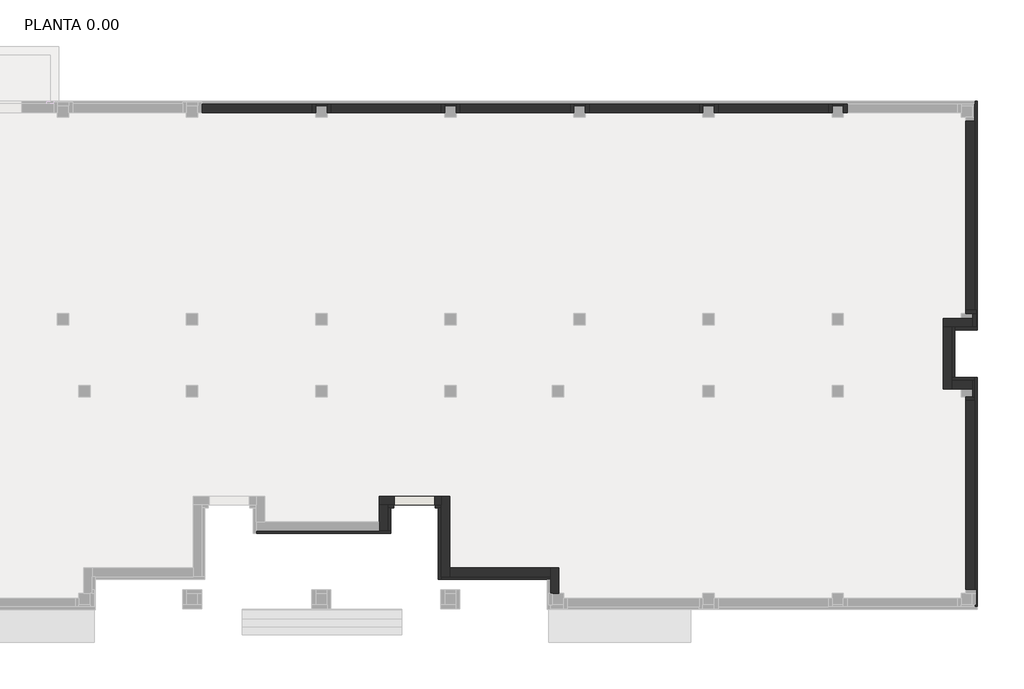
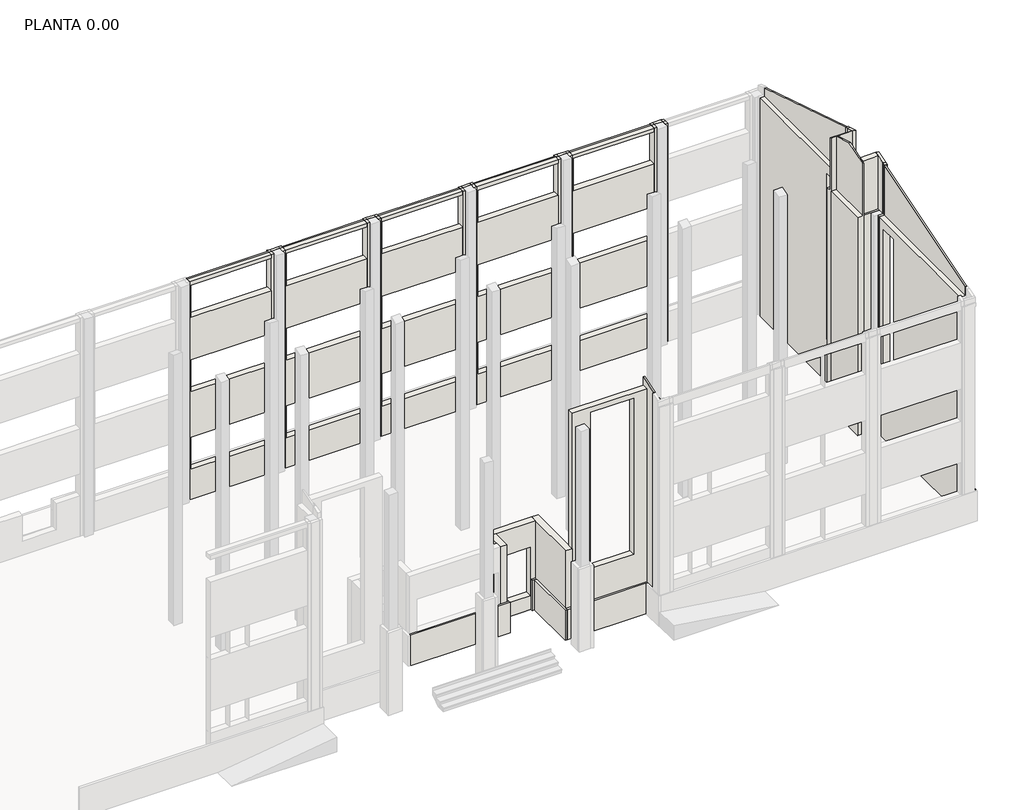
# One storey, part 4 of 6: 45 walls.
"""IFC4 building model written with IfcOpenShell, lengths in millimetres."""

from ifc_helpers import new_model, si_unit, origin, origin_with_axes, place, context, project, spatial, polyline, outline, extrude, faceted_brep, element, save

model = new_model("IFC4")

# Units and contexts
model_context = context("Model", 3, world=origin())
ifc_project = project(units=[si_unit("LENGTHUNIT", "METRE", prefix="MILLI")], contexts=[model_context])

# Site, building, storey
site = spatial("IfcSite", under=ifc_project)
building = spatial("IfcBuilding", under=site)
storey = spatial("IfcBuildingStorey", under=building, Name="PLANTA 0.00", Elevation=0.0)

# Walls
placement = place(None, origin())
element("IfcWall", 1, at=placement, inside=storey, context=model_context, shape_type="Brep", body=[
    faceted_brep([(-2270.0, 1780.0, 0.0), (2420.0, 1780.0, 0.0), (2420.0, 1780.0, 1500.0), (-2270.0, 1780.0, 1500.0), (-2270.0, 1880.0, 0.0), (-2270.0, 1880.0, 1500.0), (2320.0, 1880.0, 1500.0), (2420.0, 1880.0, 1500.0), (2420.0, 1880.0, 0.0), (2320.0, 1880.0, 0.0)], [[[0, 1, 2, 3]], [[4, 5, 6, 7, 8, 9]], [[1, 0, 4, 9, 8]], [[3, 2, 7, 6, 5]], [[0, 3, 5, 4]], [[2, 1, 8, 7]]]),
])
element("IfcWall", 2, at=placement, inside=storey, context=model_context, shape_type="SweptSolid", body=[
    extrude(outline(polyline([(2420.0, 2680.0), (2420.0, 1880.0), (2320.0, 1880.0), (2320.0, 2680.0), (2420.0, 2680.0)])), origin_with_axes(), (0.0, 0.0, 1.0), 1500.0),
])
element("IfcWall", 3, at=placement, inside=storey, context=model_context, shape_type="Brep", body=[
    faceted_brep([(2320.0, 2680.0, 0.0), (2420.0, 2680.0, 0.0), (2530.3842358, 2680.0, 0.0), (2530.3842358, 2680.0, 1500.0), (2420.0, 2680.0, 1500.0), (2320.0, 2680.0, 1500.0), (2320.0, 2780.0, 0.0), (2320.0, 2780.0, 1500.0), (2530.3842358, 2780.0, 1500.0), (2530.3842358, 2780.0, 0.0)], [[[0, 1, 2, 3, 4, 5]], [[6, 7, 8, 9]], [[2, 1, 0, 6, 9]], [[3, 2, 9, 8]], [[5, 4, 3, 8, 7]], [[0, 5, 7, 6]]]),
])
element("IfcWall", 4, at=placement, inside=storey, context=model_context, shape_type="Brep", body=[
    faceted_brep([(3973.842154, 2680.0, 0.0), (4080.0, 2680.0, 0.0), (4180.0, 2680.0, 0.0), (4180.0, 2680.0, 1500.0), (4080.0, 2680.0, 1500.0), (3973.842154, 2680.0, 1500.0), (3973.842154, 2780.0, 0.0), (3973.842154, 2780.0, 1500.0), (4180.0, 2780.0, 1500.0), (4180.0, 2780.0, 0.0)], [[[0, 1, 2, 3, 4, 5]], [[6, 7, 8, 9]], [[2, 1, 0, 6, 9]], [[5, 4, 3, 8, 7]], [[0, 5, 7, 6]], [[3, 2, 9, 8]]]),
])
element("IfcWall", 5, at=placement, inside=storey, context=model_context, shape_type="Brep", body=[
    faceted_brep([(4080.0, 2680.0, 0.0), (4080.0, 180.0, 0.0), (4080.0, 180.0, 1500.0), (4080.0, 2680.0, 1500.0), (4180.0, 2680.0, 0.0), (4180.0, 2680.0, 1500.0), (4180.0, 280.0, 1500.0), (4180.0, 180.0, 1500.0), (4180.0, 180.0, 0.0), (4180.0, 280.0, 0.0)], [[[0, 1, 2, 3]], [[4, 5, 6, 7, 8, 9]], [[1, 0, 4, 9, 8]], [[3, 2, 7, 6, 5]], [[0, 3, 5, 4]], [[2, 1, 8, 7]]]),
])
element("IfcWall", 6, at=placement, inside=storey, context=model_context, shape_type="Brep", body=[
    faceted_brep([(4180.0, 180.0, 0.0), (7880.0, 180.0, 0.0), (7980.0, 180.0, 0.0), (7980.0, 180.0, 1500.0), (7880.0, 180.0, 1500.0), (4180.0, 180.0, 1500.0), (4180.0, 280.0, 0.0), (4180.0, 280.0, 1500.0), (7980.0, 280.0, 1500.0), (7980.0, 280.0, 0.0)], [[[0, 1, 2, 3, 4, 5]], [[6, 7, 8, 9]], [[2, 1, 0, 6, 9]], [[5, 4, 3, 8, 7]], [[0, 5, 7, 6]], [[3, 2, 9, 8]]]),
])
element("IfcWall", 7, at=placement, inside=storey, context=model_context, shape_type="Brep", body=[
    faceted_brep([(22870.0, -770.0, 0.0), (22870.0, 7220.0360393, 0.0), (22870.0, 7220.0360393, 1500.0), (22870.0, -770.0, 1500.0), (22770.0, -770.0, 0.0), (22770.0, -770.0, 1500.0), (22770.0, 7120.0360393, 1500.0), (22770.0, 7220.0360393, 1500.0), (22770.0, 7220.0360393, 0.0), (22770.0, 7120.0360393, 0.0), (22770.0, -707.1086819, 0.0)], [[[0, 1, 2, 3]], [[4, 5, 6, 7, 8, 9, 10]], [[1, 0, 4, 10, 9, 8]], [[3, 2, 7, 6, 5]], [[2, 1, 8, 7]], [[0, 3, 5, 4]]]),
])
element("IfcWall", 8, at=placement, inside=storey, context=model_context, shape_type="Brep", body=[
    faceted_brep([(22770.0, 7220.0360393, 0.0), (22070.0, 7220.0360393, 0.0), (21970.0, 7220.0360393, 0.0), (21970.0, 7220.0360393, 1500.0), (22070.0, 7220.0360393, 1500.0), (22770.0, 7220.0360393, 1500.0), (22770.0, 7120.0360393, 0.0), (22770.0, 7120.0360393, 1500.0), (21970.0, 7120.0360393, 1500.0), (21970.0, 7120.0360393, 0.0)], [[[0, 1, 2, 3, 4, 5]], [[6, 7, 8, 9]], [[2, 1, 0, 6, 9]], [[5, 4, 3, 8, 7]], [[0, 5, 7, 6]], [[3, 2, 9, 8]]]),
])
element("IfcWall", 9, at=placement, inside=storey, context=model_context, shape_type="Brep", body=[
    faceted_brep([(22070.0, 7220.0360393, 0.0), (22070.0, 8880.0360393, 0.0), (22070.0, 8980.0360393, 0.0), (22070.0, 8980.0360393, 1500.0), (22070.0, 8880.0360393, 1500.0), (22070.0, 7220.0360393, 1500.0), (21970.0, 7220.0360393, 0.0), (21970.0, 7220.0360393, 1500.0), (21970.0, 8980.0360393, 1500.0), (21970.0, 8980.0360393, 0.0)], [[[0, 1, 2, 3, 4, 5]], [[6, 7, 8, 9]], [[2, 1, 0, 6, 9]], [[5, 4, 3, 8, 7]], [[0, 5, 7, 6]], [[3, 2, 9, 8]]]),
])
element("IfcWall", 10, at=placement, inside=storey, context=model_context, shape_type="Brep", body=[
    faceted_brep([(22070.0, 8880.0360393, 0.0), (22870.0, 8880.0360393, 0.0), (22870.0, 8880.0360393, 1500.0), (22070.0, 8880.0360393, 1500.0), (22070.0, 8980.0360393, 0.0), (22070.0, 8980.0360393, 1500.0), (22770.0, 8980.0360393, 1500.0), (22870.0, 8980.0360393, 1500.0), (22870.0, 8980.0360393, 0.0), (22770.0, 8980.0360393, 0.0)], [[[0, 1, 2, 3]], [[4, 5, 6, 7, 8, 9]], [[1, 0, 4, 9, 8]], [[3, 2, 7, 6, 5]], [[0, 3, 5, 4]], [[2, 1, 8, 7]]]),
])
element("IfcWall", 11, at=placement, inside=storey, context=model_context, shape_type="Brep", body=[
    faceted_brep([(22870.0, 8980.0360393, 0.0), (22870.0, 16870.0, 0.0), (22870.0, 16870.0, 1500.0), (22870.0, 8980.0360393, 1500.0), (22770.0, 8980.0360393, 0.0), (22770.0, 8980.0360393, 1500.0), (22770.0, 16770.0, 1500.0), (22770.0, 16870.0, 1500.0), (22770.0, 16870.0, 0.0), (22770.0, 16770.0, 0.0)], [[[0, 1, 2, 3]], [[4, 5, 6, 7, 8, 9]], [[1, 0, 4, 9, 8]], [[3, 2, 7, 6, 5]], [[0, 3, 5, 4]], [[2, 1, 8, 7]]]),
])
element("IfcWall", 12, ObjectType="ME1_13 cm", at=placement, inside=storey, context=model_context, shape_type="Brep", body=[
    faceted_brep([(-200.0, 16470.0, 0.0), (-200.0, 16700.0, 0.0), (-200.0, 16830.0, 0.0), (-200.0, 16830.0, 10840.0), (-200.0, 16700.0, 10840.0), (-200.0, 16470.0, 10840.0), (-330.0, 16470.0, 0.0), (-330.0, 16470.0, 1700.0), (-330.0, 16470.0, 3300.0), (-330.0, 16470.0, 5350.0), (-330.0, 16470.0, 6950.0), (-330.0, 16470.0, 9000.0), (-330.0, 16470.0, 10600.0), (-330.0, 16470.0, 10840.0), (-330.0, 16700.0, 10840.0), (-330.0, 16770.0, 10840.0), (-330.0, 16830.0, 10840.0), (-330.0, 16830.0, 0.0), (-330.0, 16770.0, 0.0)], [[[0, 1, 2, 3, 4, 5]], [[6, 7, 8, 9, 10, 11, 12, 13, 14, 15, 16, 17, 18]], [[2, 1, 0, 6, 18, 17]], [[3, 2, 17, 16]], [[0, 5, 13, 12, 11, 10, 9, 8, 7, 6]], [[4, 3, 16, 15, 14]], [[5, 4, 14, 13]]]),
])
element("IfcWall", 13, ObjectType="ME1_13 cm", at=placement, inside=storey, context=model_context, shape_type="SweptSolid", body=[
    extrude(outline(polyline([(200.0, 16700.0), (-200.0, 16700.0), (-200.0, 16830.0), (200.0, 16830.0), (200.0, 16700.0)])), origin_with_axes(), (0.0, 0.0, 1.0), 10840.0),
])
element("IfcWall", 14, ObjectType="ME1_13 cm", at=placement, inside=storey, context=model_context, shape_type="Brep", body=[
    faceted_brep([(200.0, 16830.0, 0.0), (200.0, 16700.0, 0.0), (200.0, 16470.0, 0.0), (200.0, 16470.0, 10840.0), (200.0, 16700.0, 10840.0), (200.0, 16830.0, 10840.0), (330.0, 16830.0, 0.0), (330.0, 16830.0, 10840.0), (330.0, 16770.0, 10840.0), (330.0, 16700.0, 10840.0), (330.0, 16470.0, 10840.0), (330.0, 16470.0, 0.0), (330.0, 16770.0, 0.0)], [[[0, 1, 2, 3, 4, 5]], [[6, 7, 8, 9, 10, 11, 12]], [[2, 1, 0, 6, 12, 11]], [[0, 5, 7, 6]], [[3, 2, 11, 10]], [[5, 4, 9, 8, 7]], [[4, 3, 10, 9]]]),
])
element("IfcWall", 15, ObjectType="ME1_13 cm", at=placement, inside=storey, context=model_context, shape_type="Brep", body=[
    faceted_brep([(4300.0, 16470.0, 0.0), (4300.0, 16700.0, 0.0), (4300.0, 16830.0, 0.0), (4300.0, 16830.0, 10840.0), (4300.0, 16700.0, 10840.0), (4300.0, 16470.0, 10840.0), (4170.0, 16470.0, 0.0), (4170.0, 16470.0, 1700.0), (4170.0, 16470.0, 3300.0), (4170.0, 16470.0, 5350.0), (4170.0, 16470.0, 6950.0), (4170.0, 16470.0, 9000.0), (4170.0, 16470.0, 10600.0), (4170.0, 16470.0, 10840.0), (4170.0, 16700.0, 10840.0), (4170.0, 16770.0, 10840.0), (4170.0, 16830.0, 10840.0), (4170.0, 16830.0, 0.0), (4170.0, 16770.0, 0.0)], [[[0, 1, 2, 3, 4, 5]], [[6, 7, 8, 9, 10, 11, 12, 13, 14, 15, 16, 17, 18]], [[2, 1, 0, 6, 18, 17]], [[3, 2, 17, 16]], [[0, 5, 13, 12, 11, 10, 9, 8, 7, 6]], [[4, 3, 16, 15, 14]], [[5, 4, 14, 13]]]),
])
element("IfcWall", 16, ObjectType="ME1_13 cm", at=placement, inside=storey, context=model_context, shape_type="SweptSolid", body=[
    extrude(outline(polyline([(4700.0, 16700.0), (4300.0, 16700.0), (4300.0, 16830.0), (4700.0, 16830.0), (4700.0, 16700.0)])), origin_with_axes(), (0.0, 0.0, 1.0), 10840.0),
])
element("IfcWall", 17, ObjectType="ME1_13 cm", at=placement, inside=storey, context=model_context, shape_type="Brep", body=[
    faceted_brep([(4700.0, 16830.0, 0.0), (4700.0, 16700.0, 0.0), (4700.0, 16470.0, 0.0), (4700.0, 16470.0, 10840.0), (4700.0, 16700.0, 10840.0), (4700.0, 16830.0, 10840.0), (4830.0, 16830.0, 0.0), (4830.0, 16830.0, 10840.0), (4830.0, 16770.0, 10840.0), (4830.0, 16700.0, 10840.0), (4830.0, 16470.0, 10840.0), (4830.0, 16470.0, 0.0), (4830.0, 16770.0, 0.0)], [[[0, 1, 2, 3, 4, 5]], [[6, 7, 8, 9, 10, 11, 12]], [[2, 1, 0, 6, 12, 11]], [[0, 5, 7, 6]], [[3, 2, 11, 10]], [[5, 4, 9, 8, 7]], [[4, 3, 10, 9]]]),
])
element("IfcWall", 18, ObjectType="ME1_13 cm", at=placement, inside=storey, context=model_context, shape_type="Brep", body=[
    faceted_brep([(8799.9680391, 16470.0, 0.0), (8799.9680391, 16700.0, 0.0), (8799.9680391, 16830.0, 0.0), (8799.9680391, 16830.0, 10840.0), (8799.9680391, 16700.0, 10840.0), (8799.9680391, 16470.0, 10840.0), (8669.9680391, 16470.0, 0.0), (8669.9680391, 16470.0, 1700.0), (8669.9680391, 16470.0, 3300.0), (8669.9680391, 16470.0, 5350.0), (8669.9680391, 16470.0, 6950.0), (8669.9680391, 16470.0, 9000.0), (8669.9680391, 16470.0, 10600.0), (8669.9680391, 16470.0, 10840.0), (8669.9680391, 16700.0, 10840.0), (8669.9680391, 16770.0, 10840.0), (8669.9680391, 16830.0, 10840.0), (8669.9680391, 16830.0, 0.0), (8669.9680391, 16770.0, 0.0)], [[[0, 1, 2, 3, 4, 5]], [[6, 7, 8, 9, 10, 11, 12, 13, 14, 15, 16, 17, 18]], [[2, 1, 0, 6, 18, 17]], [[3, 2, 17, 16]], [[0, 5, 13, 12, 11, 10, 9, 8, 7, 6]], [[4, 3, 16, 15, 14]], [[5, 4, 14, 13]]]),
])
element("IfcWall", 19, ObjectType="ME1_13 cm", at=placement, inside=storey, context=model_context, shape_type="SweptSolid", body=[
    extrude(outline(polyline([(9199.9680391, 16700.0), (8799.9680391, 16700.0), (8799.9680391, 16830.0), (9199.9680391, 16830.0), (9199.9680391, 16700.0)])), origin_with_axes(), (0.0, 0.0, 1.0), 10840.0),
])
element("IfcWall", 20, ObjectType="ME1_13 cm", at=placement, inside=storey, context=model_context, shape_type="Brep", body=[
    faceted_brep([(9199.9680391, 16830.0, 0.0), (9199.9680391, 16700.0, 0.0), (9199.9680391, 16470.0, 0.0), (9199.9680391, 16470.0, 10840.0), (9199.9680391, 16700.0, 10840.0), (9199.9680391, 16830.0, 10840.0), (9329.9680391, 16830.0, 0.0), (9329.9680391, 16830.0, 10840.0), (9329.9680391, 16770.0, 10840.0), (9329.9680391, 16700.0, 10840.0), (9329.9680391, 16470.0, 10840.0), (9329.9680391, 16470.0, 0.0), (9329.9680391, 16770.0, 0.0)], [[[0, 1, 2, 3, 4, 5]], [[6, 7, 8, 9, 10, 11, 12]], [[2, 1, 0, 6, 12, 11]], [[0, 5, 7, 6]], [[3, 2, 11, 10]], [[5, 4, 9, 8, 7]], [[4, 3, 10, 9]]]),
])
element("IfcWall", 21, ObjectType="ME1_13 cm", at=placement, inside=storey, context=model_context, shape_type="Brep", body=[
    faceted_brep([(13300.0, 16470.0, 0.0), (13300.0, 16700.0, 0.0), (13300.0, 16830.0, 0.0), (13300.0, 16830.0, 10840.0), (13300.0, 16700.0, 10840.0), (13300.0, 16470.0, 10840.0), (13170.0, 16470.0, 0.0), (13170.0, 16470.0, 1700.0), (13170.0, 16470.0, 3300.0), (13170.0, 16470.0, 5350.0), (13170.0, 16470.0, 6950.0), (13170.0, 16470.0, 9000.0), (13170.0, 16470.0, 10600.0), (13170.0, 16470.0, 10840.0), (13170.0, 16700.0, 10840.0), (13170.0, 16770.0, 10840.0), (13170.0, 16830.0, 10840.0), (13170.0, 16830.0, 0.0), (13170.0, 16770.0, 0.0)], [[[0, 1, 2, 3, 4, 5]], [[6, 7, 8, 9, 10, 11, 12, 13, 14, 15, 16, 17, 18]], [[2, 1, 0, 6, 18, 17]], [[3, 2, 17, 16]], [[0, 5, 13, 12, 11, 10, 9, 8, 7, 6]], [[4, 3, 16, 15, 14]], [[5, 4, 14, 13]]]),
])
element("IfcWall", 22, ObjectType="ME1_13 cm", at=placement, inside=storey, context=model_context, shape_type="SweptSolid", body=[
    extrude(outline(polyline([(13700.0, 16700.0), (13300.0, 16700.0), (13300.0, 16830.0), (13700.0, 16830.0), (13700.0, 16700.0)])), origin_with_axes(), (0.0, 0.0, 1.0), 10840.0),
])
element("IfcWall", 23, ObjectType="ME1_13 cm", at=placement, inside=storey, context=model_context, shape_type="Brep", body=[
    faceted_brep([(13700.0, 16830.0, 0.0), (13700.0, 16700.0, 0.0), (13700.0, 16470.0, 0.0), (13700.0, 16470.0, 10840.0), (13700.0, 16700.0, 10840.0), (13700.0, 16830.0, 10840.0), (13830.0, 16830.0, 0.0), (13830.0, 16830.0, 10840.0), (13830.0, 16770.0, 10840.0), (13830.0, 16700.0, 10840.0), (13830.0, 16470.0, 10840.0), (13830.0, 16470.0, 0.0), (13830.0, 16770.0, 0.0)], [[[0, 1, 2, 3, 4, 5]], [[6, 7, 8, 9, 10, 11, 12]], [[2, 1, 0, 6, 12, 11]], [[0, 5, 7, 6]], [[3, 2, 11, 10]], [[5, 4, 9, 8, 7]], [[4, 3, 10, 9]]]),
])
element("IfcWall", 24, ObjectType="ME1_13 cm", at=placement, inside=storey, context=model_context, shape_type="Brep", body=[
    faceted_brep([(17800.0, 16470.0, 0.0), (17800.0, 16700.0, 0.0), (17800.0, 16830.0, 0.0), (17800.0, 16830.0, 10840.0), (17800.0, 16700.0, 10840.0), (17800.0, 16470.0, 10840.0), (17670.0, 16470.0, 0.0), (17670.0, 16470.0, 1700.0), (17670.0, 16470.0, 3300.0), (17670.0, 16470.0, 5350.0), (17670.0, 16470.0, 6950.0), (17670.0, 16470.0, 9000.0), (17670.0, 16470.0, 10600.0), (17670.0, 16470.0, 10840.0), (17670.0, 16700.0, 10840.0), (17670.0, 16770.0, 10840.0), (17670.0, 16830.0, 10840.0), (17670.0, 16830.0, 0.0), (17670.0, 16770.0, 0.0)], [[[0, 1, 2, 3, 4, 5]], [[6, 7, 8, 9, 10, 11, 12, 13, 14, 15, 16, 17, 18]], [[2, 1, 0, 6, 18, 17]], [[3, 2, 17, 16]], [[0, 5, 13, 12, 11, 10, 9, 8, 7, 6]], [[4, 3, 16, 15, 14]], [[5, 4, 14, 13]]]),
])
element("IfcWall", 25, ObjectType="ME1_13 cm", at=placement, inside=storey, context=model_context, shape_type="SweptSolid", body=[
    extrude(outline(polyline([(18200.0, 16700.0), (17800.0, 16700.0), (17800.0, 16830.0), (18200.0, 16830.0), (18200.0, 16700.0)])), origin_with_axes(), (0.0, 0.0, 1.0), 10840.0),
])
element("IfcWall", 26, ObjectType="ME1_13 cm", at=placement, inside=storey, context=model_context, shape_type="Brep", body=[
    faceted_brep([(18200.0, 16830.0, 0.0), (18200.0, 16700.0, 0.0), (18200.0, 16470.0, 0.0), (18200.0, 16470.0, 10840.0), (18200.0, 16700.0, 10840.0), (18200.0, 16830.0, 10840.0), (18330.0, 16830.0, 0.0), (18330.0, 16830.0, 10840.0), (18330.0, 16770.0, 10840.0), (18330.0, 16700.0, 10840.0), (18330.0, 16470.0, 10840.0), (18330.0, 16470.0, 0.0), (18330.0, 16770.0, 0.0)], [[[0, 1, 2, 3, 4, 5]], [[6, 7, 8, 9, 10, 11, 12]], [[2, 1, 0, 6, 12, 11]], [[0, 5, 7, 6]], [[3, 2, 11, 10]], [[5, 4, 9, 8, 7]], [[4, 3, 10, 9]]]),
])
element("IfcWall", 27, ObjectType="ME1_13 cm", at=placement, inside=storey, context=model_context, shape_type="Brep", body=[
    faceted_brep([(22470.0, 9450.0360393, 0.0), (22700.0, 9450.0360393, 0.0), (22830.0, 9450.0360393, 0.0), (22830.0, 9450.0360393, 13331.2888278), (22700.0, 9450.0360393, 13331.2888278), (22700.0, 9450.0360393, 10840.0), (22470.0, 9450.0360393, 10840.0), (22470.0, 9580.0360393, 0.0), (22470.0, 9580.0360393, 10840.0), (22700.0, 9580.0360393, 10840.0), (22700.0, 9580.0360393, 13290.9888278), (22770.0, 9580.0360393, 13290.9888278), (22830.0, 9580.0360393, 13290.9888278), (22830.0, 9580.0360393, 0.0), (22770.0, 9580.0360393, 0.0)], [[[0, 1, 2, 3, 4, 5, 6]], [[7, 8, 9, 10, 11, 12, 13, 14]], [[2, 1, 0, 7, 14, 13]], [[3, 2, 13, 12]], [[0, 6, 8, 7]], [[4, 10, 9, 5]], [[6, 5, 9, 8]], [[4, 3, 12, 11, 10]]]),
])
element("IfcWall", 28, ObjectType="ME1_13 cm", at=placement, inside=storey, context=model_context, shape_type="Brep", body=[
    faceted_brep([(22700.0, 9450.0360393, 0.0), (22700.0, 9280.0360393, 0.0), (22700.0, 8980.0360393, 0.0), (22700.0, 8980.0360393, 13476.9888278), (22700.0, 9050.0360393, 13455.2888278), (22700.0, 9450.0360393, 13331.2888278), (22700.0, 9450.0360393, 10840.0), (22830.0, 9450.0360393, 0.0), (22830.0, 9450.0360393, 13331.2888278), (22830.0, 8980.0360393, 13476.9888278), (22830.0, 8980.0360393, 0.0)], [[[0, 1, 2, 3, 4, 5, 6]], [[7, 8, 9, 10]], [[2, 1, 0, 7, 10]], [[0, 6, 5, 8, 7]], [[3, 2, 10, 9]], [[5, 4, 3, 9, 8]]]),
])
element("IfcWall", 29, ObjectType="ME1_13 cm", at=placement, inside=storey, context=model_context, shape_type="Brep", body=[
    faceted_brep([(22700.0, 7120.0360393, 0.0), (22700.0, 6820.0360393, 0.0), (22700.0, 6550.0360393, 0.0), (22700.0, 6550.0360393, 10840.0), (22700.0, 6550.0360393, 13361.8574318), (22700.0, 6930.0360393, 13479.6574318), (22700.0, 7120.0360393, 13538.5574318), (22830.0, 7120.0360393, 0.0), (22830.0, 7120.0360393, 13538.5574318), (22830.0, 6550.0360393, 13361.8574318), (22830.0, 6550.0360393, 0.0)], [[[0, 1, 2, 3, 4, 5, 6]], [[7, 8, 9, 10]], [[2, 1, 0, 7, 10]], [[4, 3, 2, 10, 9]], [[0, 6, 8, 7]], [[6, 5, 4, 9, 8]]]),
])
element("IfcWall", 30, ObjectType="ME1_13 cm", at=placement, inside=storey, context=model_context, shape_type="Brep", body=[
    faceted_brep([(22830.0, 6550.0360393, 0.0), (22700.0, 6550.0360393, 0.0), (22470.0, 6550.0360393, 0.0), (22470.0, 6550.0360393, 10840.0), (22700.0, 6550.0360393, 10840.0), (22700.0, 6550.0360393, 13361.8574318), (22830.0, 6550.0360393, 13361.8574318), (22830.0, 6420.0360393, 0.0), (22830.0, 6420.0360393, 13321.5574318), (22770.0, 6420.0360393, 13321.5574318), (22700.0, 6420.0360393, 13321.5574318), (22700.0, 6420.0360393, 10840.0), (22470.0, 6420.0360393, 10840.0), (22470.0, 6420.0360393, 0.0), (22770.0, 6420.0360393, 0.0)], [[[0, 1, 2, 3, 4, 5, 6]], [[7, 8, 9, 10, 11, 12, 13, 14]], [[2, 1, 0, 7, 14, 13]], [[0, 6, 8, 7]], [[3, 2, 13, 12]], [[10, 5, 4, 11]], [[4, 3, 12, 11]], [[6, 5, 10, 9, 8]]]),
])
element("IfcWall", 31, ObjectType="ME4_30 cm", at=placement, inside=storey, context=model_context, shape_type="Brep", body=[
    faceted_brep([(-4170.0, 16470.0, 0.0), (-330.0, 16470.0, 0.0), (-330.0, 16470.0, 1500.0), (-4130.0, 16470.0, 1500.0), (-4130.0, 16470.0, 3100.0), (-330.0, 16470.0, 3100.0), (-330.0, 16470.0, 5350.0), (-4130.0, 16470.0, 5350.0), (-4130.0, 16470.0, 6950.0), (-330.0, 16470.0, 6950.0), (-330.0, 16470.0, 9063.7791781), (-4130.0, 16470.0, 9063.7791781), (-4130.0, 16470.0, 10663.7791781), (-330.0, 16470.0, 10663.7791781), (-330.0, 16470.0, 10840.0), (-4170.0, 16470.0, 10840.0), (-330.0, 16770.0, 0.0), (-4170.0, 16770.0, 0.0), (-4170.0, 16770.0, 10840.0), (-330.0, 16770.0, 10840.0), (-330.0, 16770.0, 10663.7791781), (-4130.0, 16770.0, 10663.7791781), (-4130.0, 16770.0, 9063.7791781), (-330.0, 16770.0, 9063.7791781), (-330.0, 16770.0, 6950.0), (-4130.0, 16770.0, 6950.0), (-4130.0, 16770.0, 5350.0), (-330.0, 16770.0, 5350.0), (-330.0, 16770.0, 3100.0), (-4130.0, 16770.0, 3100.0), (-4130.0, 16770.0, 1500.0), (-330.0, 16770.0, 1500.0), (-4170.0, 16700.0, 10840.0), (-330.0, 16700.0, 10840.0)], [[[0, 1, 2, 3, 4, 5, 6, 7, 8, 9, 10, 11, 12, 13, 14, 15]], [[16, 17, 18, 19, 20, 21, 22, 23, 24, 25, 26, 27, 28, 29, 30, 31]], [[1, 0, 17, 16]], [[0, 15, 32, 18, 17]], [[1, 16, 31, 2]], [[19, 33, 14, 13, 20]], [[5, 28, 27, 6]], [[9, 24, 23, 10]], [[19, 18, 32, 33]], [[15, 14, 33, 32]], [[4, 3, 30, 29]], [[4, 29, 28, 5]], [[30, 3, 2, 31]], [[8, 7, 26, 25]], [[8, 25, 24, 9]], [[26, 7, 6, 27]], [[12, 11, 22, 21]], [[12, 21, 20, 13]], [[10, 23, 22, 11]]]),
])
element("IfcWall", 32, ObjectType="ME4_30 cm", at=placement, inside=storey, context=model_context, shape_type="Brep", body=[
    faceted_brep([(330.0, 16470.0, 0.0), (4170.0, 16470.0, 0.0), (4170.0, 16470.0, 1500.0), (370.0, 16470.0, 1500.0), (370.0, 16470.0, 3100.0), (4170.0, 16470.0, 3100.0), (4170.0, 16470.0, 5350.0), (370.0, 16470.0, 5350.0), (370.0, 16470.0, 6950.0), (4170.0, 16470.0, 6950.0), (4170.0, 16470.0, 9063.7791781), (370.0, 16470.0, 9063.7791781), (370.0, 16470.0, 10663.7791781), (4170.0, 16470.0, 10663.7791781), (4170.0, 16470.0, 10840.0), (330.0, 16470.0, 10840.0), (4170.0, 16770.0, 0.0), (330.0, 16770.0, 0.0), (330.0, 16770.0, 10840.0), (4170.0, 16770.0, 10840.0), (4170.0, 16770.0, 10663.7791781), (370.0, 16770.0, 10663.7791781), (370.0, 16770.0, 9063.7791781), (4170.0, 16770.0, 9063.7791781), (4170.0, 16770.0, 6950.0), (370.0, 16770.0, 6950.0), (370.0, 16770.0, 5350.0), (4170.0, 16770.0, 5350.0), (4170.0, 16770.0, 3100.0), (370.0, 16770.0, 3100.0), (370.0, 16770.0, 1500.0), (4170.0, 16770.0, 1500.0), (330.0, 16700.0, 10840.0), (4170.0, 16700.0, 10840.0)], [[[0, 1, 2, 3, 4, 5, 6, 7, 8, 9, 10, 11, 12, 13, 14, 15]], [[16, 17, 18, 19, 20, 21, 22, 23, 24, 25, 26, 27, 28, 29, 30, 31]], [[1, 0, 17, 16]], [[0, 15, 32, 18, 17]], [[1, 16, 31, 2]], [[19, 33, 14, 13, 20]], [[5, 28, 27, 6]], [[9, 24, 23, 10]], [[19, 18, 32, 33]], [[15, 14, 33, 32]], [[4, 3, 30, 29]], [[4, 29, 28, 5]], [[30, 3, 2, 31]], [[8, 7, 26, 25]], [[8, 25, 24, 9]], [[26, 7, 6, 27]], [[12, 11, 22, 21]], [[12, 21, 20, 13]], [[10, 23, 22, 11]]]),
])
element("IfcWall", 33, ObjectType="ME4_30 cm", at=placement, inside=storey, context=model_context, shape_type="Brep", body=[
    faceted_brep([(4830.0, 16470.0, 0.0), (8669.9680391, 16470.0, 0.0), (8669.9680391, 16470.0, 1500.0), (4869.9680391, 16470.0, 1500.0), (4869.9680391, 16470.0, 3100.0), (8669.9680391, 16470.0, 3100.0), (8669.9680391, 16470.0, 5350.0), (4869.9680391, 16470.0, 5350.0), (4869.9680391, 16470.0, 6950.0), (8669.9680391, 16470.0, 6950.0), (8669.9680391, 16470.0, 9063.7791781), (4869.9680391, 16470.0, 9063.7791781), (4869.9680391, 16470.0, 10663.7791781), (8669.9680391, 16470.0, 10663.7791781), (8669.9680391, 16470.0, 10840.0), (4830.0, 16470.0, 10840.0), (8669.9680391, 16770.0, 0.0), (4830.0, 16770.0, 0.0), (4830.0, 16770.0, 10840.0), (8669.9680391, 16770.0, 10840.0), (8669.9680391, 16770.0, 10663.7791781), (4869.9680391, 16770.0, 10663.7791781), (4869.9680391, 16770.0, 9063.7791781), (8669.9680391, 16770.0, 9063.7791781), (8669.9680391, 16770.0, 6950.0), (4869.9680391, 16770.0, 6950.0), (4869.9680391, 16770.0, 5350.0), (8669.9680391, 16770.0, 5350.0), (8669.9680391, 16770.0, 3100.0), (4869.9680391, 16770.0, 3100.0), (4869.9680391, 16770.0, 1500.0), (8669.9680391, 16770.0, 1500.0), (4830.0, 16700.0, 10840.0), (8669.9680391, 16700.0, 10840.0)], [[[0, 1, 2, 3, 4, 5, 6, 7, 8, 9, 10, 11, 12, 13, 14, 15]], [[16, 17, 18, 19, 20, 21, 22, 23, 24, 25, 26, 27, 28, 29, 30, 31]], [[1, 0, 17, 16]], [[0, 15, 32, 18, 17]], [[1, 16, 31, 2]], [[19, 33, 14, 13, 20]], [[5, 28, 27, 6]], [[9, 24, 23, 10]], [[19, 18, 32, 33]], [[15, 14, 33, 32]], [[4, 3, 30, 29]], [[4, 29, 28, 5]], [[30, 3, 2, 31]], [[8, 7, 26, 25]], [[8, 25, 24, 9]], [[26, 7, 6, 27]], [[12, 11, 22, 21]], [[12, 21, 20, 13]], [[10, 23, 22, 11]]]),
])
element("IfcWall", 34, ObjectType="ME4_30 cm", at=placement, inside=storey, context=model_context, shape_type="Brep", body=[
    faceted_brep([(9329.9680391, 16470.0, 0.0), (13170.0, 16470.0, 0.0), (13170.0, 16470.0, 1500.0), (9370.0, 16470.0, 1500.0), (9370.0, 16470.0, 3100.0), (13170.0, 16470.0, 3100.0), (13170.0, 16470.0, 5350.0), (9370.0, 16470.0, 5350.0), (9370.0, 16470.0, 6950.0), (13170.0, 16470.0, 6950.0), (13170.0, 16470.0, 9063.7791781), (9370.0, 16470.0, 9063.7791781), (9370.0, 16470.0, 10663.7791781), (13170.0, 16470.0, 10663.7791781), (13170.0, 16470.0, 10840.0), (9329.9680391, 16470.0, 10840.0), (13170.0, 16770.0, 0.0), (9329.9680391, 16770.0, 0.0), (9329.9680391, 16770.0, 10840.0), (13170.0, 16770.0, 10840.0), (13170.0, 16770.0, 10663.7791781), (9370.0, 16770.0, 10663.7791781), (9370.0, 16770.0, 9063.7791781), (13170.0, 16770.0, 9063.7791781), (13170.0, 16770.0, 6950.0), (9370.0, 16770.0, 6950.0), (9370.0, 16770.0, 5350.0), (13170.0, 16770.0, 5350.0), (13170.0, 16770.0, 3100.0), (9370.0, 16770.0, 3100.0), (9370.0, 16770.0, 1500.0), (13170.0, 16770.0, 1500.0), (9329.9680391, 16700.0, 10840.0), (13170.0, 16700.0, 10840.0)], [[[0, 1, 2, 3, 4, 5, 6, 7, 8, 9, 10, 11, 12, 13, 14, 15]], [[16, 17, 18, 19, 20, 21, 22, 23, 24, 25, 26, 27, 28, 29, 30, 31]], [[1, 0, 17, 16]], [[0, 15, 32, 18, 17]], [[1, 16, 31, 2]], [[19, 33, 14, 13, 20]], [[5, 28, 27, 6]], [[9, 24, 23, 10]], [[19, 18, 32, 33]], [[15, 14, 33, 32]], [[4, 3, 30, 29]], [[4, 29, 28, 5]], [[30, 3, 2, 31]], [[24, 9, 8, 25]], [[6, 27, 26, 7]], [[7, 26, 25, 8]], [[12, 11, 22, 21]], [[12, 21, 20, 13]], [[10, 23, 22, 11]]]),
])
element("IfcWall", 35, ObjectType="ME4_30 cm", at=placement, inside=storey, context=model_context, shape_type="Brep", body=[
    faceted_brep([(13830.0, 16470.0, 0.0), (17670.0, 16470.0, 0.0), (17670.0, 16470.0, 1500.0), (13870.0, 16470.0, 1500.0), (13870.0, 16470.0, 3100.0), (17670.0, 16470.0, 3100.0), (17670.0, 16470.0, 5350.0), (13870.0, 16470.0, 5350.0), (13870.0, 16470.0, 6950.0), (17670.0, 16470.0, 6950.0), (17670.0, 16470.0, 9063.7791781), (13870.0, 16470.0, 9063.7791781), (13870.0, 16470.0, 10663.7791781), (17670.0, 16470.0, 10663.7791781), (17670.0, 16470.0, 10840.0), (13830.0, 16470.0, 10840.0), (17670.0, 16770.0, 0.0), (13830.0, 16770.0, 0.0), (13830.0, 16770.0, 10840.0), (17670.0, 16770.0, 10840.0), (17670.0, 16770.0, 10663.7791781), (13870.0, 16770.0, 10663.7791781), (13870.0, 16770.0, 9063.7791781), (17670.0, 16770.0, 9063.7791781), (17670.0, 16770.0, 6950.0), (13870.0, 16770.0, 6950.0), (13870.0, 16770.0, 5350.0), (17670.0, 16770.0, 5350.0), (17670.0, 16770.0, 3100.0), (13870.0, 16770.0, 3100.0), (13870.0, 16770.0, 1500.0), (17670.0, 16770.0, 1500.0), (13830.0, 16700.0, 10840.0), (17670.0, 16700.0, 10840.0)], [[[0, 1, 2, 3, 4, 5, 6, 7, 8, 9, 10, 11, 12, 13, 14, 15]], [[16, 17, 18, 19, 20, 21, 22, 23, 24, 25, 26, 27, 28, 29, 30, 31]], [[1, 0, 17, 16]], [[0, 15, 32, 18, 17]], [[1, 16, 31, 2]], [[19, 33, 14, 13, 20]], [[5, 28, 27, 6]], [[9, 24, 23, 10]], [[19, 18, 32, 33]], [[15, 14, 33, 32]], [[4, 3, 30, 29]], [[4, 29, 28, 5]], [[30, 3, 2, 31]], [[24, 9, 8, 25]], [[6, 27, 26, 7]], [[7, 26, 25, 8]], [[12, 11, 22, 21]], [[12, 21, 20, 13]], [[10, 23, 22, 11]]]),
])
element("IfcWall", 36, ObjectType="ME4_30 cm", at=placement, inside=storey, context=model_context, shape_type="Brep", body=[
    faceted_brep([(22470.0, 16170.0, 0.0), (22470.0, 9580.0360393, 0.0), (22470.0, 9580.0360393, 10840.0), (22470.0, 16170.0, 10840.0), (22470.0, 10703.4471375, 10390.469096), (22470.0, 9903.4471375, 10390.469096), (22470.0, 9903.4471375, 2160.0), (22470.0, 10703.4471375, 2160.0), (22770.0, 9580.0360393, 0.0), (22770.0, 16170.0, 0.0), (22770.0, 16170.0, 11248.1), (22770.0, 9580.0360393, 13290.9888278), (22770.0, 9903.4471375, 10390.469096), (22770.0, 10703.4471375, 10390.469096), (22770.0, 10703.4471375, 2160.0), (22770.0, 9903.4471375, 2160.0), (22700.0, 16170.0, 10840.0), (22700.0, 16170.0, 11248.1), (22700.0, 9580.0360393, 13290.9888278), (22700.0, 9580.0360393, 10840.0)], [[[0, 1, 2, 3], [4, 5, 6, 7]], [[8, 9, 10, 11], [12, 13, 14, 15]], [[1, 0, 9, 8]], [[0, 3, 16, 17, 10, 9]], [[2, 1, 8, 11, 18, 19]], [[18, 17, 16, 19]], [[3, 2, 19, 16]], [[18, 11, 10, 17]], [[4, 13, 12, 5]], [[6, 15, 14, 7]], [[13, 4, 7, 14]], [[5, 12, 15, 6]]]),
])
element("IfcWall", 37, ObjectType="ME4_30 cm", at=placement, inside=storey, context=model_context, shape_type="Brep", body=[
    faceted_brep([(22470.0, 6420.0360393, 0.0), (22470.0, -177.1086819, 0.0), (22470.0, -177.1086819, 10840.0), (22470.0, 6420.0360393, 10840.0), (22470.0, 6113.7565304, 10390.2150446), (22470.0, 5313.7565304, 10390.2150446), (22470.0, 5313.7565304, 2160.0), (22470.0, 6113.7565304, 2160.0), (22770.0, -177.1086819, 0.0), (22770.0, 6420.0360393, 0.0), (22770.0, 6420.0360393, 13321.5574318), (22770.0, -177.1086819, 11276.4425682), (22770.0, 5313.7565304, 10390.2150446), (22770.0, 6113.7565304, 10390.2150446), (22770.0, 6113.7565304, 2160.0), (22770.0, 5313.7565304, 2160.0), (22700.0, 6420.0360393, 10840.0), (22700.0, 6420.0360393, 13321.5574318), (22700.0, -177.1086819, 11276.4425682), (22700.0, -177.1086819, 10840.0)], [[[0, 1, 2, 3], [4, 5, 6, 7]], [[8, 9, 10, 11], [12, 13, 14, 15]], [[1, 0, 9, 8]], [[0, 3, 16, 17, 10, 9]], [[2, 1, 8, 11, 18, 19]], [[18, 17, 16, 19]], [[3, 2, 19, 16]], [[18, 11, 10, 17]], [[4, 13, 12, 5]], [[6, 15, 14, 7]], [[13, 4, 7, 14]], [[5, 12, 15, 6]]]),
])
element("IfcWall", 38, ObjectType="ME4_30 cm", at=placement, inside=storey, context=model_context, shape_type="Brep", body=[
    faceted_brep([(8280.0, -307.1086819, 0.0), (8280.0, 580.0, 0.0), (8280.0, 580.0, 10840.0), (8280.0, -307.1086819, 10840.0), (7980.0, -307.1086819, 0.0), (7980.0, -307.1086819, 11236.1425682), (7980.0, 580.0, 11511.1462596), (7980.0, 580.0, 11090.0), (7980.0, 580.0, 0.0), (7980.0, 280.0, 0.0), (8050.0, -307.1086819, 0.0), (8050.0, -307.1086819, 10840.0), (8050.0, -307.1086819, 11236.1425682), (8050.0, 580.0, 11511.1462596), (8050.0, 580.0, 10840.0), (8050.0, 392.8913181, 10840.0)], [[[0, 1, 2, 3]], [[4, 5, 6, 7, 8, 9]], [[1, 0, 10, 4, 9, 8]], [[0, 3, 11, 12, 5, 4, 10]], [[2, 1, 8, 7, 6, 13, 14]], [[13, 12, 11, 15, 14]], [[3, 2, 14, 15, 11]], [[13, 6, 5, 12]]]),
])
element("IfcWall", 39, ObjectType="ME4_30 cm", at=placement, inside=storey, context=model_context, shape_type="Brep", body=[
    faceted_brep([(4480.0, 280.0, 0.0), (4480.0, 580.0, 0.0), (4480.0, 3080.0, 0.0), (4480.0, 3080.0, 4350.0), (4480.0, 280.0, 4350.0), (4180.0, 280.0, 0.0), (4180.0, 280.0, 4350.0), (4180.0, 2780.0, 4350.0), (4180.0, 3080.0, 4350.0), (4180.0, 3080.0, 0.0), (4180.0, 2780.0, 0.0)], [[[0, 1, 2, 3, 4]], [[5, 6, 7, 8, 9, 10]], [[2, 1, 0, 5, 10, 9]], [[4, 3, 8, 7, 6]], [[3, 2, 9, 8]], [[0, 4, 6, 5]]]),
])
element("IfcWall", 40, ObjectType="ME4_30 cm", at=placement, inside=storey, context=model_context, shape_type="Brep", body=[
    faceted_brep([(4180.0, 3080.0, 0.0), (2020.0, 3080.0, 0.0), (2020.0, 3080.0, 4350.0), (4180.0, 3080.0, 4350.0), (2550.0, 3080.0, 700.0), (3950.0, 3080.0, 700.0), (3950.0, 3080.0, 3100.0), (2550.0, 3080.0, 3100.0), (4180.0, 2780.0, 0.0), (4180.0, 2780.0, 4350.0), (2320.0, 2780.0, 4350.0), (2020.0, 2780.0, 4350.0), (2020.0, 2780.0, 0.0), (2320.0, 2780.0, 0.0), (2550.0, 2780.0, 700.0), (2550.0, 2780.0, 3100.0), (3950.0, 2780.0, 3100.0), (3950.0, 2780.0, 700.0)], [[[0, 1, 2, 3], [4, 5, 6, 7]], [[8, 9, 10, 11, 12, 13], [14, 15, 16, 17]], [[1, 0, 8, 13, 12]], [[3, 2, 11, 10, 9]], [[0, 3, 9, 8]], [[2, 1, 12, 11]], [[15, 14, 4, 7]], [[16, 15, 7, 6]], [[17, 16, 6, 5]], [[14, 17, 5, 4]]]),
])
element("IfcWall", 41, ObjectType="ME4_30 cm", at=placement, inside=storey, context=model_context, shape_type="Brep", body=[
    faceted_brep([(2020.0, 2780.0, 0.0), (2020.0, 2180.0, 0.0), (2020.0, 1880.0, 0.0), (2020.0, 1880.0, 4350.0), (2020.0, 2180.0, 4350.0), (2020.0, 2780.0, 4350.0), (2320.0, 2780.0, 0.0), (2320.0, 2780.0, 4350.0), (2320.0, 1880.0, 4350.0), (2320.0, 1880.0, 0.0)], [[[0, 1, 2, 3, 4, 5]], [[6, 7, 8, 9]], [[2, 1, 0, 6, 9]], [[5, 4, 3, 8, 7]], [[0, 5, 7, 6]], [[3, 2, 9, 8]]]),
])
element("IfcWall", 42, ObjectType="ME4_30 cm", at=placement, inside=storey, context=model_context, shape_type="Brep", body=[
    faceted_brep([(7980.0, 580.0, 11090.0), (7980.0, 580.0, 0.0), (4480.0, 580.0, 0.0), (4480.0, 580.0, 11090.0), (5350.0319609, 580.0, 3078.6886664), (7360.0319609, 580.0, 3078.6886664), (7360.0319609, 580.0, 10830.0), (5350.0319609, 580.0, 10830.0), (4480.0, 280.0, 0.0), (7980.0, 280.0, 0.0), (7980.0, 280.0, 1500.0), (7980.0, 280.0, 10663.8), (7980.0, 280.0, 11090.0), (4480.0, 280.0, 11090.0), (4480.0, 280.0, 4350.0), (7360.0319609, 280.0, 3078.6886664), (5350.0319609, 280.0, 3078.6886664), (5350.0319609, 280.0, 10830.0), (7360.0319609, 280.0, 10830.0)], [[[0, 1, 2, 3], [4, 5, 6, 7]], [[8, 9, 10, 11, 12, 13, 14], [15, 16, 17, 18]], [[2, 1, 9, 8]], [[0, 3, 13, 12]], [[3, 2, 8, 14, 13]], [[4, 16, 15, 5]], [[18, 6, 5, 15]], [[7, 17, 16, 4]], [[6, 18, 17, 7]], [[0, 12, 11, 10, 9, 1]]]),
])
element("IfcWall", 43, ObjectType="ME4_30 cm", at=placement, inside=storey, context=model_context, shape_type="Brep", body=[
    faceted_brep([(22700.0, 9280.0360393, 0.0), (21670.0, 9280.0360393, 0.0), (21670.0, 9280.0360393, 10840.0), (22700.0, 9280.0360393, 10840.0), (22700.0, 8980.0360393, 0.0), (22700.0, 8980.0360393, 13476.9888278), (21970.0, 8980.0360393, 13476.9888278), (21920.0, 8980.0360393, 13476.9888278), (21670.0, 8980.0360393, 13476.9888278), (21670.0, 8980.0360393, 10840.0), (21670.0, 8980.0360393, 0.0), (21970.0, 8980.0360393, 0.0), (22700.0, 9050.0360393, 10840.0), (22700.0, 9050.0360393, 13455.2888278), (21670.0, 9050.0360393, 13455.2888278), (21920.0, 9050.0360393, 10840.0), (21670.0, 9050.0360393, 10840.0)], [[[0, 1, 2, 3]], [[4, 5, 6, 7, 8, 9, 10, 11]], [[1, 0, 4, 11, 10]], [[0, 3, 12, 13, 5, 4]], [[14, 13, 12, 15, 16]], [[3, 2, 16, 15, 12]], [[14, 8, 7, 6, 5, 13]], [[1, 10, 9, 8, 14, 16, 2]]]),
])
element("IfcWall", 44, ObjectType="ME4_30 cm", at=placement, inside=storey, context=model_context, shape_type="Brep", body=[
    faceted_brep([(21670.0, 8980.0360393, 0.0), (21670.0, 6820.0360393, 0.0), (21670.0, 6820.0360393, 10840.0), (21670.0, 8980.0360393, 10840.0), (21970.0, 8980.0360393, 0.0), (21970.0, 8980.0360393, 13476.9888278), (21970.0, 8920.0360393, 13495.5888278), (21970.0, 7950.7318394, 13796.0731298), (21970.0, 7120.0360393, 13538.5574318), (21970.0, 6930.0360393, 13479.6574318), (21970.0, 6820.0360393, 13445.5574318), (21970.0, 6820.0360393, 10840.0), (21970.0, 6820.0360393, 0.0), (21970.0, 7120.0360393, 0.0), (21920.0, 8980.0360393, 10840.0), (21920.0, 8980.0360393, 13476.9888278), (21920.0, 6820.0360393, 13445.5574318), (21920.0, 6820.0360393, 10840.0), (21920.0, 7950.7318394, 13796.0731298), (21920.0, 6930.0360393, 10840.0)], [[[0, 1, 2, 3]], [[4, 5, 6, 7, 8, 9, 10, 11, 12, 13]], [[1, 0, 4, 13, 12]], [[0, 3, 14, 15, 5, 4]], [[2, 1, 12, 11, 10, 16, 17]], [[16, 18, 15, 14, 19, 17]], [[3, 2, 17, 19, 14]], [[16, 10, 9, 8, 7, 18]], [[7, 6, 5, 15, 18]]]),
])
element("IfcWall", 45, ObjectType="ME4_30 cm", at=placement, inside=storey, context=model_context, shape_type="Brep", body=[
    faceted_brep([(22700.0, 7120.0360393, 0.0), (21970.0, 7120.0360393, 0.0), (21970.0, 7120.0360393, 1500.0), (21970.0, 7120.0360393, 10663.8), (21970.0, 7120.0360393, 13538.5574318), (22700.0, 7120.0360393, 13538.5574318), (22700.0, 6820.0360393, 0.0), (22700.0, 6820.0360393, 10840.0), (21970.0, 6820.0360393, 10840.0), (21970.0, 6820.0360393, 0.0), (22700.0, 6930.0360393, 13479.6574318), (22700.0, 6930.0360393, 10840.0), (21970.0, 6930.0360393, 13479.6574318), (21970.0, 6930.0360393, 10840.0)], [[[0, 1, 2, 3, 4, 5]], [[6, 7, 8, 9]], [[1, 0, 6, 9]], [[0, 5, 10, 11, 7, 6]], [[10, 12, 13, 11]], [[13, 8, 7, 11]], [[5, 4, 12, 10]], [[1, 9, 8, 13, 12, 4, 3, 2]]]),
])

save(model, "model.ifc")
